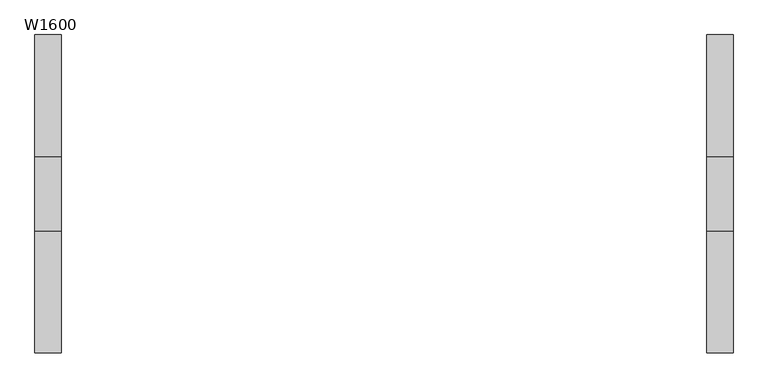
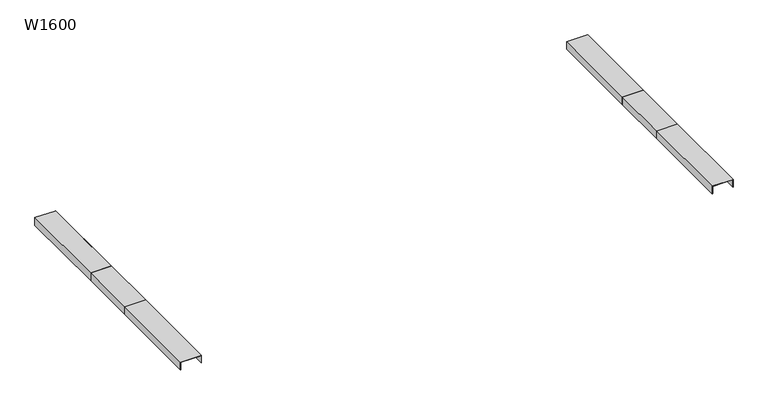
"""IFC4 building model written with IfcOpenShell, lengths in millimetres: furniture geometry, W1600."""

from ifc_helpers import new_model, si_unit, frame, origin, place, context, project, spatial, polyline, outline, extrude, source, transform, mapped, element, save


def w1600_e9659f8c(model_context):
    return source(origin(), model_context, "Body", "SweptSolid", [
        extrude(outline(polyline([(13.4998704, 14.0), (13.4998704, 15.0), (38.4999819, 15.0), (38.4999819, 80.0), (13.4998704, 80.0), (13.4998704, 81.0), (39.4999819, 81.0), (39.4999819, 14.0), (13.4998704, 14.0)])), frame((0.0, 95.0, 0.0), z_axis=(0.0, 1.0, 0.0), x_axis=(0.0, 0.0, 1.0)), (0.0, 0.0, 1.0), 310.0),
        extrude(outline(polyline([(13.4998704, 1789.4), (39.4999819, 1789.4), (39.4999819, 1722.4), (13.4998704, 1722.4), (13.4998704, 1723.4), (38.4999819, 1723.4), (38.4999819, 1788.4), (13.4998704, 1788.4), (13.4998704, 1789.4)])), frame((0.0, 95.0, 0.0), z_axis=(0.0, 1.0, 0.0), x_axis=(0.0, 0.0, 1.0)), (0.0, 0.0, 1.0), 310.0),
        extrude(outline(polyline([(13.4998704, 14.0), (13.4998704, 15.0), (38.4999819, 15.0), (38.4999819, 80.0), (13.4998704, 80.0), (13.4998704, 81.0), (39.4999819, 81.0), (39.4999819, 14.0), (13.4998704, 14.0)])), frame((0.0, -405.0, 0.0), z_axis=(0.0, 1.0, 0.0), x_axis=(0.0, 0.0, 1.0)), (0.0, 0.0, 1.0), 310.0),
        extrude(outline(polyline([(13.4998704, 1789.4), (39.4999819, 1789.4), (39.4999819, 1722.4), (13.4998704, 1722.4), (13.4998704, 1723.4), (38.4999819, 1723.4), (38.4999819, 1788.4), (13.4998704, 1788.4), (13.4998704, 1789.4)])), frame((0.0, -405.0, 0.0), z_axis=(0.0, 1.0, 0.0), x_axis=(0.0, 0.0, 1.0)), (0.0, 0.0, 1.0), 310.0),
        extrude(outline(polyline([(81.0, -95.0), (14.0, -95.0), (14.0, 95.0), (81.0, 95.0), (81.0, -95.0)])), frame((0.0, 0.0, 13.4998704), z_axis=(0.0, 0.0, 1.0), x_axis=(1.0, 0.0, 0.0)), (0.0, 0.0, 1.0), 26.0001114),
        extrude(outline(polyline([(1789.4, -95.0), (1722.4, -95.0), (1722.4, 95.0), (1789.4, 95.0), (1789.4, -95.0)])), frame((0.0, 0.0, 13.4998704), z_axis=(0.0, 0.0, 1.0), x_axis=(1.0, 0.0, 0.0)), (0.0, 0.0, 1.0), 26.0001114),
    ])


if __name__ == "__main__":
    model = new_model("IFC4")
    model_context = context("Model", 3, world=origin())
    ifc_project = project(units=[si_unit("LENGTHUNIT", "METRE", prefix="MILLI")], contexts=[model_context])
    site = spatial("IfcSite", under=ifc_project)
    building = spatial("IfcBuilding", under=site)
    placement = place(None, origin())
    w1600_shape = w1600_e9659f8c(model_context)
    element("IfcFurniture", 1, ObjectType="W1600", at=placement, inside=building, context=model_context, shape_type="MappedRepresentation", body=[
        mapped(w1600_shape, transform((0.0, 0.0, 0.0), x_axis=(1.0, 0.0, 0.0), y_axis=(0.0, 1.0, 0.0), z_axis=(0.0, 0.0, 1.0))),
    ])
    save(model, "model.ifc")
